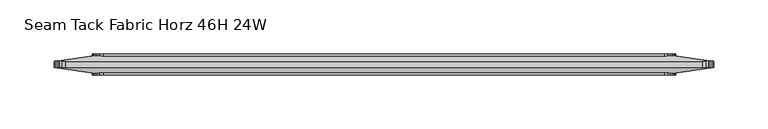
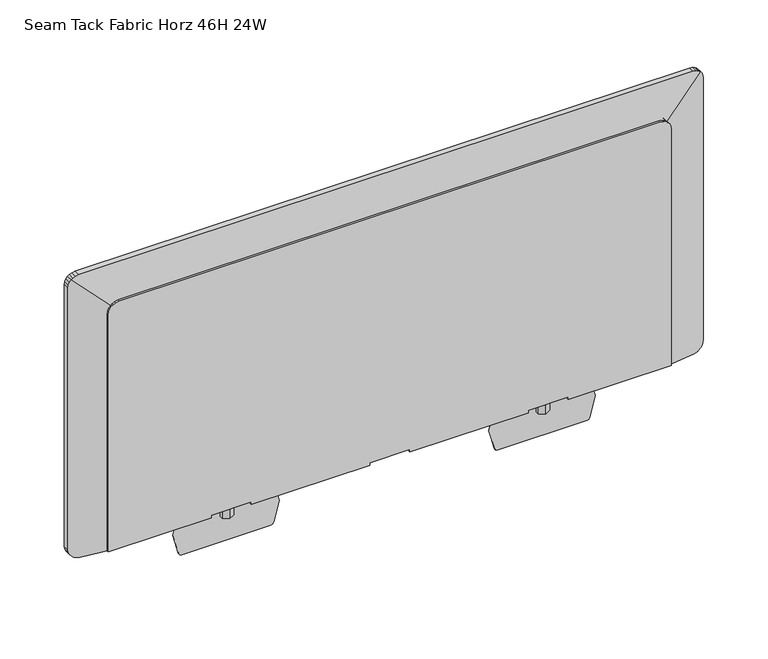
"""IFC4 building model written with IfcOpenShell, lengths in millimetres: furniture geometry, Seam Tack Fabric Horz 46H 24W."""

from ifc_helpers import new_model, si_unit, frame, origin, place, context, project, spatial, polyline, outline, extrude, faceted_brep, source, transform, mapped, element, save


def seam_tack_fabric_horz_46h_24w_6e63b48e(model_context):
    return source(origin(), model_context, "Body", "SolidModel", [
        extrude(outline(polyline([(461.1752465, -6.3172321), (461.1752465, -12.6672323), (455.676, -15.8422324), (450.1767354, -12.6672323), (450.1767354, -6.3172321), (455.676, -3.1422321), (461.1752465, -6.3172321)])), frame((0.0, 0.0, 874.522001), z_axis=(0.0, 0.0, 1.0), x_axis=(1.0, 0.0, 0.0)), (0.0, 0.0, 1.0), 166.6239952),
        extrude(outline(polyline([(893.5720008, 498.0845579), (893.5720008, 413.267433), (892.9158975, 411.3346113), (891.2187514, 410.2006144), (871.3470009, 404.8759967), (851.4752516, 410.2006144), (849.7781032, 411.3346113), (849.122, 413.267433), (849.122, 498.0845579), (849.7781032, 500.0173796), (851.4752516, 501.1513765), (871.3470009, 506.4759942), (891.2187514, 501.1513765), (892.9158975, 500.0173796), (893.5720008, 498.0845579)])), frame((0.0, -9.7504784, 0.0), z_axis=(0.0, 1.0, 0.0), x_axis=(0.0, 0.0, 1.0)), (0.0, 0.0, 1.0), 0.5164862),
        extrude(outline(polyline([(148.4247535, -6.3172321), (153.924, -3.1422321), (159.4232646, -6.3172321), (159.4232646, -12.6672323), (153.924, -15.8422324), (148.4247535, -12.6672323), (148.4247535, -6.3172321)])), frame((0.0, 0.0, 874.522001), z_axis=(0.0, 0.0, 1.0), x_axis=(1.0, 0.0, 0.0)), (0.0, 0.0, 1.0), 166.6239952),
        extrude(outline(polyline([(893.5720008, 111.5154421), (892.9158975, 109.5826204), (891.2187514, 108.4486235), (871.3470009, 103.1240058), (851.4752516, 108.4486235), (849.7781032, 109.5826204), (849.122, 111.5154421), (849.122, 196.332567), (849.7781032, 198.2653887), (851.4752516, 199.3993856), (871.3470009, 204.7240033), (891.2187514, 199.3993856), (892.9158975, 198.2653887), (893.5720008, 196.332567), (893.5720008, 111.5154421)])), frame((0.0, -9.7504784, 0.0), z_axis=(0.0, 1.0, 0.0), x_axis=(0.0, 0.0, 1.0)), (0.0, 0.0, 1.0), 0.5164862),
        extrude(outline(polyline([(1133.602, 562.7178925), (1133.602, 46.8257121), (1132.9159549, 43.184392), (1131.8278673, 40.7952556), (1130.5466955, 39.2079102), (1128.6346029, 37.7230447), (1126.3089454, 36.7081476), (1123.6517493, 36.322), (883.92, 36.322), (883.92, 134.4315248), (886.4723885, 134.4315248), (886.4723885, 172.5315248), (883.92, 172.5315248), (883.92, 285.75), (886.4723885, 285.75), (886.4723885, 323.85), (883.92, 323.85), (883.92, 437.0684752), (886.4723885, 437.0684752), (886.4723885, 475.1684752), (883.92, 475.1684752), (883.92, 573.278), (1123.2636758, 573.278), (1126.3089454, 572.835457), (1128.6346029, 571.8205599), (1130.5466955, 570.3356944), (1131.8278673, 568.7483489), (1132.9159549, 566.3592125), (1133.602, 562.7178925)])), frame((0.0, -19.05, 0.0), z_axis=(0.0, 1.0, 0.0), x_axis=(0.0, 0.0, 1.0)), (0.0, 0.0, 1.0), 19.05),
        faceted_brep([(570.0466046, -1.27, 883.92), (570.0466046, -1.27, 1130.3706046), (605.1341432, -6.201232, 1165.4581432), (606.6749553, -6.417779, 1163.4740069), (607.6898524, -6.5604135, 1161.1483494), (608.076, -6.614683, 1158.4911533), (608.076, -6.614683, 893.8258702), (607.6898524, -6.5604135, 891.168674), (606.6749553, -6.417779, 888.8430166), (605.1900898, -6.2090948, 886.930924), (602.8989568, -5.887097, 885.081714), (602.1405268, -5.7805066, 884.7363012), (597.8078466, -5.1715881, 883.92), (570.0466046, -17.78, 1130.3706046), (570.0466046, -17.78, 883.92), (597.8078466, -13.6811758, 883.92), (602.1405268, -13.0414748, 884.7363012), (602.8989568, -12.929496, 885.081714), (605.1900898, -12.5912203, 886.930924), (606.6749553, -12.3719865, 888.8430166), (607.6898524, -12.2221415, 891.168674), (608.076, -12.1651285, 893.8258702), (608.076, -12.1651285, 1158.4911533), (607.6898524, -12.2221415, 1161.1483494), (606.6749553, -12.3719865, 1163.4740069), (605.1341432, -12.5994806, 1165.4581432), (39.5533954, -1.27, 1130.3706046), (39.5533954, -1.27, 883.92), (11.7921534, -5.1715881, 883.92), (7.4594732, -5.7805066, 884.7363012), (6.7010432, -5.887097, 885.081714), (4.4099102, -6.2090948, 886.930924), (2.9250447, -6.417779, 888.8430166), (1.9101476, -6.5604135, 891.168674), (1.524, -6.614683, 893.8258702), (1.524, -6.614683, 1158.4911533), (1.9101476, -6.5604135, 1161.1483494), (2.9250447, -6.417779, 1163.4740069), (4.4658568, -6.201232, 1165.4581432), (39.5533954, -17.78, 883.92), (39.5533954, -17.78, 1130.3706046), (4.4658568, -12.5994806, 1165.4581432), (2.9250447, -12.3719865, 1163.4740069), (1.9101476, -12.2221415, 1161.1483494), (1.524, -12.1651285, 1158.4911533), (1.524, -12.1651285, 893.8258702), (1.9101476, -12.2221415, 891.168674), (2.9250447, -12.3719865, 888.8430166), (4.4099102, -12.5912203, 886.930924), (6.7010432, -12.929496, 885.081714), (7.4594732, -13.0414748, 884.7363012), (11.7921534, -13.6811758, 883.92), (5.9972556, -6.3711638, 1166.6672713), (8.386392, -6.5240846, 1167.7553589), (11.8079521, -6.614683, 1168.4), (597.7920479, -6.614683, 1168.4), (601.213608, -6.5240846, 1167.7553589), (603.6027444, -6.3711638, 1166.6672713), (603.6027444, -12.4209582, 1166.6672713), (601.213608, -12.2603069, 1167.7553589), (597.7920479, -12.1651285, 1168.4), (11.8079521, -12.1651285, 1168.4), (8.386392, -12.2603069, 1167.7553589), (5.9972556, -12.4209582, 1166.6672713)], [[[0, 1, 2, 3, 4, 5, 6, 7, 8, 9, 10, 11, 12]], [[13, 14, 15, 16, 17, 18, 19, 20, 21, 22, 23, 24, 25]], [[26, 27, 28, 29, 30, 31, 32, 33, 34, 35, 36, 37, 38]], [[39, 40, 41, 42, 43, 44, 45, 46, 47, 48, 49, 50, 51]], [[1, 26, 38, 52, 53, 54, 55, 56, 57, 2]], [[40, 13, 25, 58, 59, 60, 61, 62, 63, 41]], [[1, 0, 14, 13]], [[39, 27, 26, 40]], [[26, 1, 13, 40]], [[6, 5, 22, 21]], [[44, 35, 34, 45]], [[54, 61, 60, 55]], [[36, 43, 42, 37]], [[41, 38, 37, 42]], [[38, 41, 63, 52]], [[52, 63, 62, 53]], [[53, 62, 61, 54]], [[43, 36, 35, 44]], [[3, 24, 23, 4]], [[2, 25, 24, 3]], [[25, 2, 57, 58]], [[58, 57, 56, 59]], [[59, 56, 55, 60]], [[4, 23, 22, 5]], [[27, 39, 51, 28]], [[14, 0, 12, 15]], [[7, 20, 19, 8]], [[8, 19, 18, 9]], [[9, 18, 17, 10]], [[10, 17, 16, 11]], [[11, 16, 15, 12]], [[20, 7, 6, 21]], [[33, 46, 45, 34]], [[50, 29, 28, 51]], [[29, 50, 49, 30]], [[30, 49, 48, 31]], [[31, 48, 47, 32]], [[46, 33, 32, 47]]]),
    ])


if __name__ == "__main__":
    model = new_model("IFC4")
    model_context = context("Model", 3, world=origin())
    ifc_project = project(units=[si_unit("LENGTHUNIT", "METRE", prefix="MILLI")], contexts=[model_context])
    site = spatial("IfcSite", under=ifc_project)
    building = spatial("IfcBuilding", under=site)
    placement = place(None, origin())
    seam_tack_fabric_horz_46h_24w_shape = seam_tack_fabric_horz_46h_24w_6e63b48e(model_context)
    element("IfcFurniture", 1, ObjectType="Seam Tack Fabric Horz 46H 24W", at=placement, inside=building, context=model_context, shape_type="MappedRepresentation", body=[
        mapped(seam_tack_fabric_horz_46h_24w_shape, transform((0.0, 0.0, 0.0), x_axis=(1.0, 0.0, 0.0), y_axis=(0.0, 1.0, 0.0), z_axis=(0.0, 0.0, 1.0))),
    ])
    save(model, "model.ifc")
